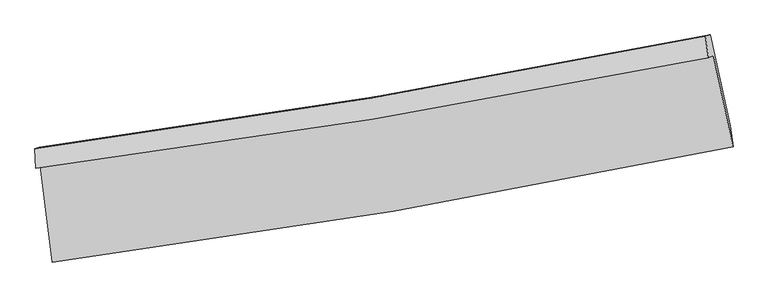
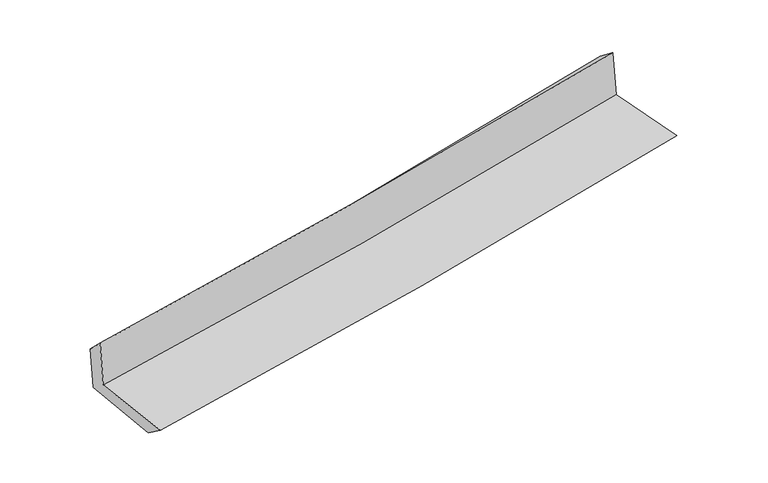
"""IFC4 building model written with IfcOpenShell, lengths in millimetres: proxy geometry."""

from ifc_helpers import new_model, si_unit, frame, origin, place, context, project, spatial, source, transform, mapped, element, save
from ifc_brep_helpers import plane_surface, spline_curve, spline_surface, advanced_brep


def generic_models_edbba14c(model_context):
    return source(origin(), model_context, "Body", "AdvancedBrep", [
        advanced_brep(
        [(-2390.6788261, -1872.7401588, 1677.0006962), (-2306.9930527, -2547.454846, 1659.2799677), (2475.3189516, -1736.5154681, 2094.120569), (2336.1330347, -1096.6458078, 2115.9219794), (-2425.3484694, -1887.3463584, 2069.4033815), (2301.514843, -1111.230331, 2507.7423184), (-2429.6157413, -1749.6984624, 1935.1456615), (2280.5134243, -961.7106074, 2393.2182833), (-2397.6179497, -1740.3982448, 1578.4566084), (2315.1272247, -951.6964746, 2011.6085337), (-2314.9283854, -2393.7841761, 1543.5391915), (2454.894939, -1590.9437783, 1982.3831089)],
        [
            (0, 1),
            (1, 2, spline_curve(3, [(-2306.9930527, -2547.454846, 1659.2799677), (-1506.646023061, -2443.56234783, 1735.389373122), (-708.538932096, -2324.162061825, 1809.629418979), (885.578503951, -2053.941947365, 1954.587498064), (1681.575414507, -1903.029107416, 2025.294319211), (2475.3189516, -1736.5154681, 2094.120569)], [4, 2, 4], [0.0, 7.9295418141799265, 15.882827723382524])),
            (2, 3),
            (3, 0, spline_curve(3, [(2336.1330347, -1096.6458078, 2115.9219794), (1551.912712314, -1255.09065272, 2043.09427532), (765.30914122, -1399.062686033, 1970.048643793), (-810.309021126, -1657.674516606, 1823.740250108), (-1599.30940379, -1772.40060021, 1750.478787312), (-2390.6788261, -1872.7401588, 1677.0006962)], [4, 2, 4], [0.0, 7.953285909202598, 15.882827723382524])),
            (4, 0),
            (3, 5),
            (5, 4, spline_curve(3, [(2301.514843, -1111.230331, 2507.7423184), (1516.681577862, -1269.933406582, 2441.852105831), (729.767693405, -1414.036173879, 2372.3187086), (-845.865815568, -1672.654469894, 2226.184008837), (-1634.573034942, -1787.257044778, 2149.604427331), (-2425.3484694, -1887.3463584, 2069.4033815)], [4, 2, 4], [0.0, 7.904046350789566, 15.784495608533653])),
            (6, 4),
            (5, 7),
            (7, 6, spline_curve(3, [(2280.5134243, -961.7106074, 2393.2182833), (1499.477573714, -1120.29666624, 2313.701239195), (715.858242628, -1265.333291877, 2235.715217506), (-854.200215036, -1527.915128586, 2083.033471464), (-1640.623939345, -1645.541121457, 2008.328619187), (-2429.6157413, -1749.6984624, 1935.1456615)], [4, 2, 4], [0.0, 7.893511000384221, 15.763456360428671])),
            (8, 6),
            (7, 9),
            (9, 8, spline_curve(3, [(2315.1272247, -951.6964746, 2011.6085337), (1533.193078657, -1110.537370615, 1941.281816429), (748.906618077, -1255.760895032, 1869.967027261), (-822.022464341, -1518.580298879, 1725.57716153), (-1608.651062246, -1636.257364135, 1652.507975454), (-2397.6179497, -1740.3982448, 1578.4566084)], [4, 2, 4], [0.0, 7.883318179625903, 15.743101149014436])),
            (10, 8),
            (9, 11),
            (11, 10, spline_curve(3, [(2454.894939, -1590.9437783, 1982.3831089), (1663.198542331, -1754.379932922, 1910.95544912), (869.267509203, -1903.079396273, 1838.615259416), (-720.686921848, -2170.605002482, 1692.328513323), (-1516.696996875, -2289.519005041, 1618.387396876), (-2314.9283854, -2393.7841761, 1543.5391915)], [4, 2, 4], [0.0, 7.932144348549596, 15.840607719036077])),
            (1, 10),
            (11, 2),
        ],
        [
            spline_surface(3, 3, [[(-2390.6788261, -1872.7401588, 1677.0006962), (-1599.30940383, -1772.400600249, 1750.47878723), (-810.309021192, -1657.674516539, 1823.740250116), (765.309141286, -1399.0626861, 1970.048643785), (1551.912712235, -1255.090652813, 2043.094275318), (2336.1330347, -1096.6458078, 2115.9219794)], [(-2362.783568292, -2097.645054555, 1671.093786674), (-1568.421610191, -1996.121182791, 1745.44898247), (-776.385658141, -1879.837031634, 1819.036639741), (805.398928842, -1617.355773217, 1964.894928534), (1595.133612989, -1471.070137721, 2037.160956591), (2382.528340337, -1309.935694585, 2108.654842603)], [(-2334.888310508, -2322.549950245, 1665.186877226), (-1537.533816576, -2219.841765266, 1740.419177787), (-742.46229512, -2101.999546687, 1814.333029377), (845.488716369, -1835.648860292, 1959.741213294), (1638.354513733, -1687.049622572, 2031.227637855), (2428.923645963, -1523.225581315, 2101.387705797)], [(-2306.9930527, -2547.454846, 1659.2799677), (-1506.646022937, -2443.562347808, 1735.389373026), (-708.53893207, -2324.162061782, 1809.629419001), (885.578503925, -2053.941947408, 1954.587498042), (1681.575414487, -1903.029107479, 2025.294319128), (2475.3189516, -1736.5154681, 2094.120569)]], [4, 4], [4, 2, 4], [0.0, 2.198480570028109], [0.0, 7.9295418141799265, 15.882827723382524]),
            spline_surface(3, 3, [[(-2425.3484694, -1887.3463584, 2069.4033815), (-1634.573035021, -1787.257044872, 2149.604427292), (-845.865815451, -1672.65446977, 2226.184008952), (729.767693288, -1414.036174004, 2372.318708485), (1516.681577849, -1269.933406626, 2441.852105823), (2301.514843, -1111.230331, 2507.7423184)], [(-2413.79192165, -1882.477625203, 1938.602486414), (-1622.818491307, -1782.304896668, 2016.562547286), (-834.013550699, -1667.661152033, 2092.036089358), (741.614842619, -1409.045011376, 2238.228686936), (1528.4252893, -1264.985822016, 2308.932829008), (2313.054240222, -1106.368823261, 2377.135538754)], [(-2402.23537385, -1877.608891997, 1807.801591286), (-1611.063947543, -1777.352748453, 1883.520667237), (-822.161285944, -1662.667834276, 1957.88816971), (753.461991954, -1404.053848728, 2104.138665334), (1540.169000784, -1260.038237423, 2176.013552133), (2324.593637478, -1101.507315539, 2246.528759046)], [(-2390.6788261, -1872.7401588, 1677.0006962), (-1599.30940383, -1772.400600249, 1750.47878723), (-810.309021192, -1657.674516539, 1823.740250116), (765.309141286, -1399.0626861, 1970.048643785), (1551.912712235, -1255.090652813, 2043.094275318), (2336.1330347, -1096.6458078, 2115.9219794)]], [4, 4], [4, 2, 4], [0.0, 1.32612058743211], [0.0, 7.880449257744087, 15.784495608533653]),
            spline_surface(3, 3, [[(-2429.6157413, -1749.6984624, 1935.1456615), (-1640.623939281, -1645.541121435, 2008.328619178), (-854.20021514, -1527.915128711, 2083.033471478), (715.858242732, -1265.333291752, 2235.715217491), (1499.477573746, -1120.296666199, 2313.701239125), (2280.5134243, -961.7106074, 2393.2182833)], [(-2428.193317313, -1795.581094368, 1979.898234837), (-1638.606971174, -1692.779762549, 2055.42055522), (-851.422081937, -1576.161575721, 2130.750317294), (720.494726224, -1314.90091916, 2281.24971448), (1505.21224178, -1170.175579678, 2356.418194679), (2287.513897199, -1011.55051527, 2431.392961655)], [(-2426.770893387, -1841.463726432, 2024.650808163), (-1636.590003128, -1740.018403758, 2102.51249125), (-848.643948654, -1624.40802276, 2178.467163137), (725.131209796, -1364.468546596, 2326.784211496), (1510.946909816, -1220.054493147, 2399.135150268), (2294.514370101, -1061.39042313, 2469.567640045)], [(-2425.3484694, -1887.3463584, 2069.4033815), (-1634.573035021, -1787.257044872, 2149.604427292), (-845.865815451, -1672.65446977, 2226.184008952), (729.767693288, -1414.036174004, 2372.318708485), (1516.681577849, -1269.933406626, 2441.852105823), (2301.514843, -1111.230331, 2507.7423184)]], [4, 4], [4, 2, 4], [0.0, 0.6660633090665072], [0.0, 7.869945360044451, 15.763456360428671]),
            spline_surface(3, 3, [[(-2397.6179497, -1740.3982448, 1578.4566084), (-1608.65106217, -1636.257364224, 1652.507975469), (-822.022464425, -1518.580298756, 1725.57716142), (748.906618161, -1255.760895155, 1869.967027371), (1533.193078527, -1110.53737052, 1941.281816541), (2315.1272247, -951.6964746, 2011.6085337)], [(-2408.283880253, -1743.498317358, 1697.352959434), (-1619.308687894, -1639.351949986, 1771.114856706), (-832.748381331, -1521.691908744, 1844.729264765), (737.890493017, -1258.951694024, 1991.883090737), (1521.954576924, -1113.790469058, 2065.42162408), (2303.589291224, -955.034518845, 2138.811783578)], [(-2418.949810747, -1746.598389842, 1816.249310466), (-1629.966313558, -1642.446535674, 1889.721737941), (-843.474298233, -1524.803518723, 1963.881368133), (726.874367877, -1262.142492883, 2113.799154125), (1510.716075349, -1117.043567661, 2189.561431586), (2292.051357776, -958.372563155, 2266.015033422)], [(-2429.6157413, -1749.6984624, 1935.1456615), (-1640.623939281, -1645.541121435, 2008.328619178), (-854.20021514, -1527.915128711, 2083.033471478), (715.858242732, -1265.333291752, 2235.715217491), (1499.477573746, -1120.296666199, 2313.701239125), (2280.5134243, -961.7106074, 2393.2182833)]], [4, 4], [4, 2, 4], [0.0, 1.191619110708564], [0.0, 7.859782969388533, 15.743101149014436]),
            spline_surface(3, 3, [[(-2314.9283854, -2393.7841761, 1543.5391915), (-1516.69699676, -2289.51900496, 1618.387396939), (-720.686921829, -2170.60500243, 1692.328513219), (869.267509184, -1903.079396325, 1838.61525952), (1663.198542329, -1754.379932876, 1910.955448998), (2454.894939, -1590.9437783, 1982.3831089)], [(-2342.491573482, -2175.988865669, 1555.178330475), (-1547.348351879, -2071.765124717, 1629.760923124), (-754.465436, -1953.263434527, 1703.41139596), (829.147212204, -1687.30656259, 1849.065848811), (1619.863387729, -1539.765745422, 1921.064238156), (2408.305700901, -1377.861343731, 1992.124917144)], [(-2370.054761618, -1958.193555231, 1566.817469425), (-1577.999707051, -1854.011244467, 1641.134449284), (-788.243950254, -1735.92186666, 1714.494278679), (789.026915141, -1471.533728891, 1859.516438081), (1576.528233127, -1325.151557975, 1931.173027383), (2361.716462799, -1164.778909169, 2001.866725456)], [(-2397.6179497, -1740.3982448, 1578.4566084), (-1608.65106217, -1636.257364224, 1652.507975469), (-822.022464425, -1518.580298756, 1725.57716142), (748.906618161, -1255.760895155, 1869.967027371), (1533.193078527, -1110.53737052, 1941.281816541), (2315.1272247, -951.6964746, 2011.6085337)]], [4, 4], [4, 2, 4], [0.0, 2.1648591496690925], [0.0, 7.908463370486481, 15.840607719036077]),
            spline_surface(3, 3, [[(-2306.9930527, -2547.454846, 1659.2799677), (-1506.646022937, -2443.562347808, 1735.389373026), (-708.53893207, -2324.162061782, 1809.629419001), (885.578503925, -2053.941947408, 1954.587498042), (1681.575414487, -1903.029107479, 2025.294319128), (2475.3189516, -1736.5154681, 2094.120569)], [(-2309.63816361, -2496.231289346, 1620.699708965), (-1509.996347554, -2392.214566838, 1696.388714329), (-712.588261997, -2272.976375329, 1770.529117069), (880.14150567, -2003.654430379, 1915.930085197), (1675.449790451, -1853.47938262, 1987.181362417), (2468.510947417, -1687.991571508, 2056.874748966)], [(-2312.28327449, -2445.007732754, 1582.119450235), (-1513.346672143, -2340.86678593, 1657.388055636), (-716.637591901, -2221.790688882, 1731.428815151), (874.704507439, -1953.366913355, 1877.272672366), (1669.324166365, -1803.929657736, 1949.068405708), (2461.702943183, -1639.467674892, 2019.628928934)], [(-2314.9283854, -2393.7841761, 1543.5391915), (-1516.69699676, -2289.51900496, 1618.387396939), (-720.686921829, -2170.60500243, 1692.328513219), (869.267509184, -1903.079396325, 1838.61525952), (1663.198542329, -1754.379932876, 1910.955448998), (2454.894939, -1590.9437783, 1982.3831089)]], [4, 4], [4, 2, 4], [0.0, 0.6308508076402112], [0.0, 7.967770570812319, 15.959399708233606]),
            plane_surface(frame((2360.5837362, -1241.4570779, 2184.1657988), z_axis=(0.9735027636785033, 0.2085635084238193, 0.09377436784251536), x_axis=(-0.0903030302239402, -0.026125606547340165, 0.995571602354601))),
            plane_surface(frame((-2377.5304041, -2031.9037077, 1743.8042511), z_axis=(-0.9884961151898746, -0.12019321446515874, -0.0918097023797538), x_axis=(-0.123046394276147, 0.9920588176060463, 0.0260554651797359))),
        ],
        [
            (0, [[1, 2, 3, 4]]),
            (1, [[5, -4, 6, 7]]),
            (2, [[8, -7, 9, 10]]),
            (3, [[11, -10, 12, 13]]),
            (4, [[14, -13, 15, 16]]),
            (5, [[17, -16, 18, -2]]),
            (6, [[-12, -9, -6, -3, -18, -15]]),
            (7, [[-1, -5, -8, -11, -14, -17]]),
        ],
    ),
    ])


if __name__ == "__main__":
    model = new_model("IFC4")
    model_context = context("Model", 3, world=origin())
    ifc_project = project(units=[si_unit("LENGTHUNIT", "METRE", prefix="MILLI")], contexts=[model_context])
    site = spatial("IfcSite", under=ifc_project)
    building = spatial("IfcBuilding", under=site)
    placement = place(None, origin())
    generic_models_shape = generic_models_edbba14c(model_context)
    element("IfcBuildingElementProxy", 1, Name="Generic Models", at=placement, inside=building, context=model_context, shape_type="MappedRepresentation", body=[
        mapped(generic_models_shape, transform((0.0, 0.0, 0.0), x_axis=(1.0, 0.0, 0.0), y_axis=(0.0, 1.0, 0.0), z_axis=(0.0, 0.0, 1.0))),
    ])
    save(model, "model.ifc")
